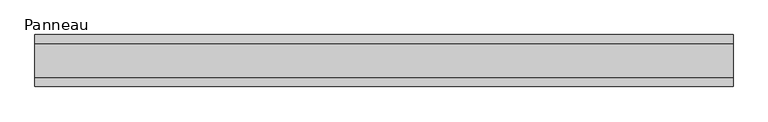
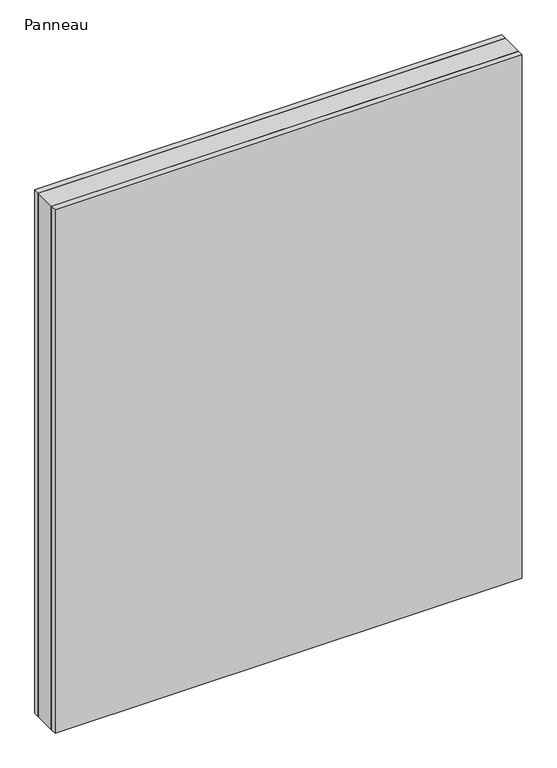
"""IFC4 building model written with IfcOpenShell, lengths in millimetres: plate geometry, Panneau."""

from ifc_helpers import new_model, si_unit, origin, origin_with_axes, place, context, project, spatial, polyline, outline, extrude, source, transform, mapped, element, save


def panneau_9db1e39f(model_context):
    return source(origin(), model_context, "Body", "SweptSolid", [
        extrude(outline(polyline([(603.3750001, 29.0), (603.3750001, -29.0), (-603.3750001, -29.0), (-603.3750001, 29.0), (603.3750001, 29.0)])), origin_with_axes(), (0.0, 0.0, 1.0), 1428.5),
        extrude(outline(polyline([(603.3750001, 45.0), (603.3750001, 29.0), (-603.3750001, 29.0), (-603.3750001, 45.0), (603.3750001, 45.0)])), origin_with_axes(), (0.0, 0.0, 1.0), 1428.5),
        extrude(outline(polyline([(-603.3750001, -45.0), (-603.3750001, -29.0), (603.3750001, -29.0), (603.3750001, -45.0), (-603.3750001, -45.0)])), origin_with_axes(), (0.0, 0.0, 1.0), 1428.5),
    ])


if __name__ == "__main__":
    model = new_model("IFC4")
    model_context = context("Model", 3, world=origin())
    ifc_project = project(units=[si_unit("LENGTHUNIT", "METRE", prefix="MILLI")], contexts=[model_context])
    site = spatial("IfcSite", under=ifc_project)
    building = spatial("IfcBuilding", under=site)
    placement = place(None, origin())
    panneau_shape = panneau_9db1e39f(model_context)
    element("IfcPlate", 1, ObjectType="Panneau", at=placement, inside=building, context=model_context, shape_type="MappedRepresentation", body=[
        mapped(panneau_shape, transform((0.0, 0.0, 0.0), x_axis=(1.0, 0.0, 0.0), y_axis=(0.0, 1.0, 0.0), z_axis=(0.0, 0.0, 1.0))),
    ])
    save(model, "model.ifc")
